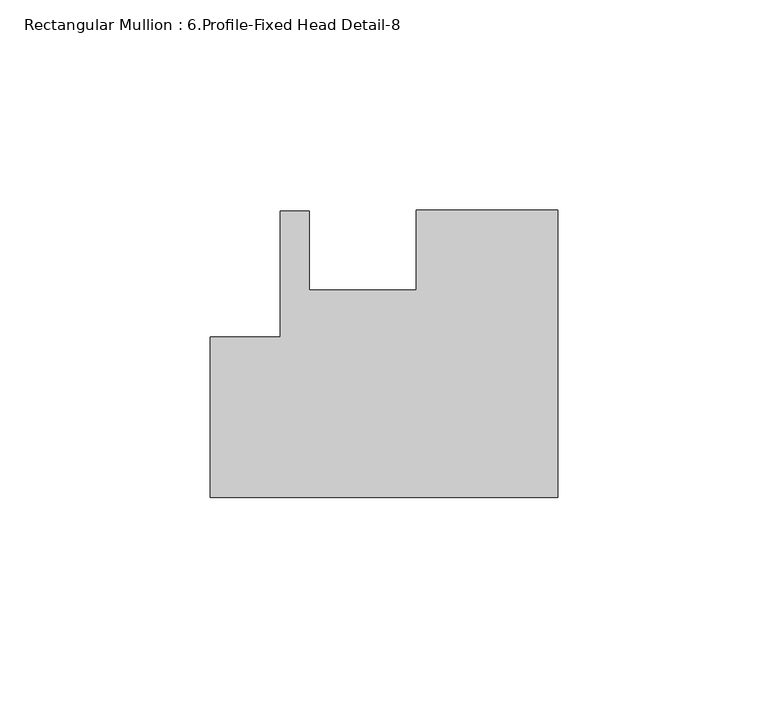
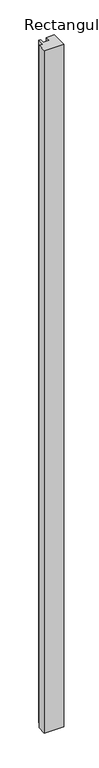
"""IFC4 building model written with IfcOpenShell, lengths in millimetres: member geometry, Rectangular Mullion : 6.Profile-Fixed Head Detail-8."""

from ifc_helpers import new_model, si_unit, frame, origin, place, context, project, spatial, polyline, outline, extrude, source, transform, mapped, element, save


def rectangular_mullion_6_profile_fixed_head_detail_8_86379ca8(model_context):
    return source(origin(), model_context, "Body", "SweptSolid", [
        extrude(outline(polyline([(0.0, 33.7269544), (0.0, -34.5355456), (-82.5500287, -34.5355456), (-82.5500287, 3.5675532), (-65.9149446, 3.5675532), (-65.9149446, 33.4999133), (-59.0061353, 33.4999133), (-59.0061353, 14.680068), (-33.6061568, 14.680068), (-33.6061568, 33.7269544), (0.0, 33.7269544)])), frame((0.0, 0.0, -3048.0), z_axis=(0.0, 0.0, 1.0), x_axis=(1.0, 0.0, 0.0)), (0.0, 0.0, 1.0), 3048.0),
    ])


if __name__ == "__main__":
    model = new_model("IFC4")
    model_context = context("Model", 3, world=origin())
    ifc_project = project(units=[si_unit("LENGTHUNIT", "METRE", prefix="MILLI")], contexts=[model_context])
    site = spatial("IfcSite", under=ifc_project)
    building = spatial("IfcBuilding", under=site)
    placement = place(None, origin())
    rectangular_mullion_6_profile_fixed_head_detail_8_shape = rectangular_mullion_6_profile_fixed_head_detail_8_86379ca8(model_context)
    element("IfcMember", 1, ObjectType="Rectangular Mullion : 6.Profile-Fixed Head Detail-8", at=placement, inside=building, context=model_context, shape_type="MappedRepresentation", body=[
        mapped(rectangular_mullion_6_profile_fixed_head_detail_8_shape, transform((0.0, 0.0, 0.0), x_axis=(1.0, 0.0, 0.0), y_axis=(0.0, 1.0, 0.0), z_axis=(0.0, 0.0, 1.0))),
    ])
    save(model, "model.ifc")
